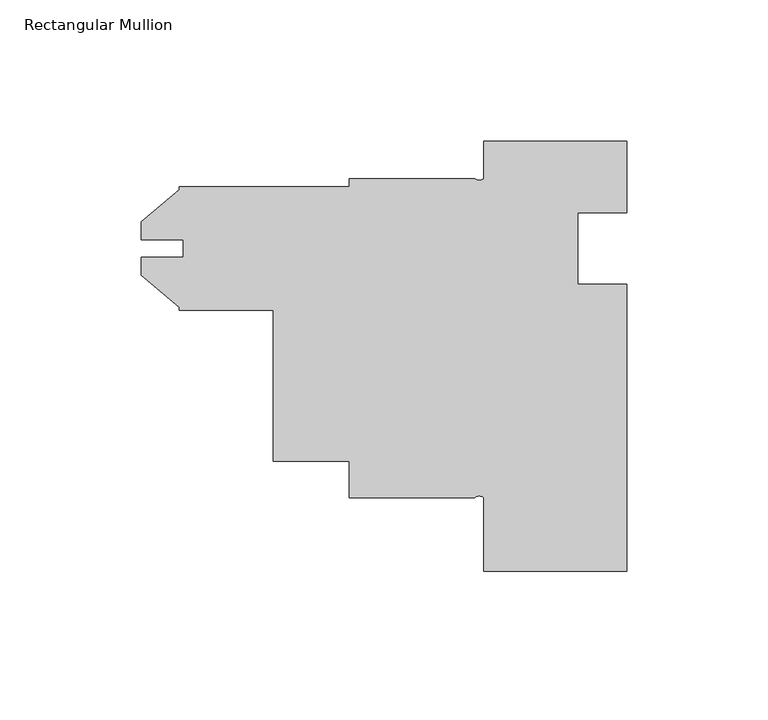
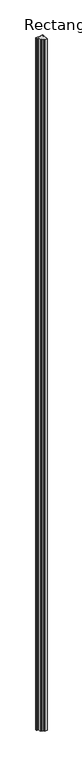
"""IFC4 building model written with IfcOpenShell, lengths in millimetres: member geometry, Rectangular Mullion."""

from ifc_helpers import new_model, si_unit, point, frame, frame_2d, origin, place, context, project, spatial, polyline, circle_curve, trimmed, segment, composite_curve, outline, extrude, source, transform, mapped, element, save


def rectangular_mullion_ae5de03d(model_context):
    return source(origin(), model_context, "Body", "SweptSolid", [
        extrude(outline(composite_curve([segment(polyline([(25.4, -25.4), (7.9502, -25.4), (7.9502, -50.8), (25.4, -50.8), (25.4, -152.4), (-25.4, -152.4), (-25.4, -126.3904)]), True, "CONTINUOUS"), segment(trimmed(circle_curve(frame_2d((-26.9875, -128.1526573)), 2.3718573), [point((-25.4, -126.3904))], [point((-28.575, -126.3904))], True, "CARTESIAN"), True, "CONTINUOUS"), segment(polyline([(-28.575, -126.3904), (-73.025, -126.38532), (-73.025, -113.5126), (-99.9998, -113.5126), (-99.9998, -59.99226), (-133.35, -59.99226), (-133.35, -58.9257533), (-146.812, -47.629794), (-146.812, -41.2595221), (-131.7752, -41.2595221), (-131.7752, -34.9353979), (-146.812, -34.9353979), (-146.812, -28.565126), (-133.35, -17.2691667), (-133.35, -16.20266), (-73.025, -16.20266), (-73.025, -13.3096), (-28.575, -13.3096)]), True, "CONTINUOUS"), segment(trimmed(circle_curve(frame_2d((-26.9875, -11.5473427)), 2.3718573), [point((-28.575, -13.3096))], [point((-25.4, -13.3096))], True, "CARTESIAN"), True, "CONTINUOUS"), segment(polyline([(-25.4, -13.3096), (-25.4, 0.0), (25.4, 0.0), (25.4, -25.4)]), True, "CONTINUOUS")], self_intersect=False)), frame((0.0, 0.0, -15711.5380959), z_axis=(0.0, 0.0, 1.0), x_axis=(1.0, 0.0, 0.0)), (0.0, 0.0, 1.0), 15711.5380959),
    ])


if __name__ == "__main__":
    model = new_model("IFC4")
    model_context = context("Model", 3, world=origin())
    ifc_project = project(units=[si_unit("LENGTHUNIT", "METRE", prefix="MILLI")], contexts=[model_context])
    site = spatial("IfcSite", under=ifc_project)
    building = spatial("IfcBuilding", under=site)
    placement = place(None, origin())
    rectangular_mullion_shape = rectangular_mullion_ae5de03d(model_context)
    element("IfcMember", 1, ObjectType="Rectangular Mullion", at=placement, inside=building, context=model_context, shape_type="MappedRepresentation", body=[
        mapped(rectangular_mullion_shape, transform((0.0, 0.0, 0.0), x_axis=(1.0, 0.0, 0.0), y_axis=(0.0, 1.0, 0.0), z_axis=(0.0, 0.0, 1.0))),
    ])
    save(model, "model.ifc")
